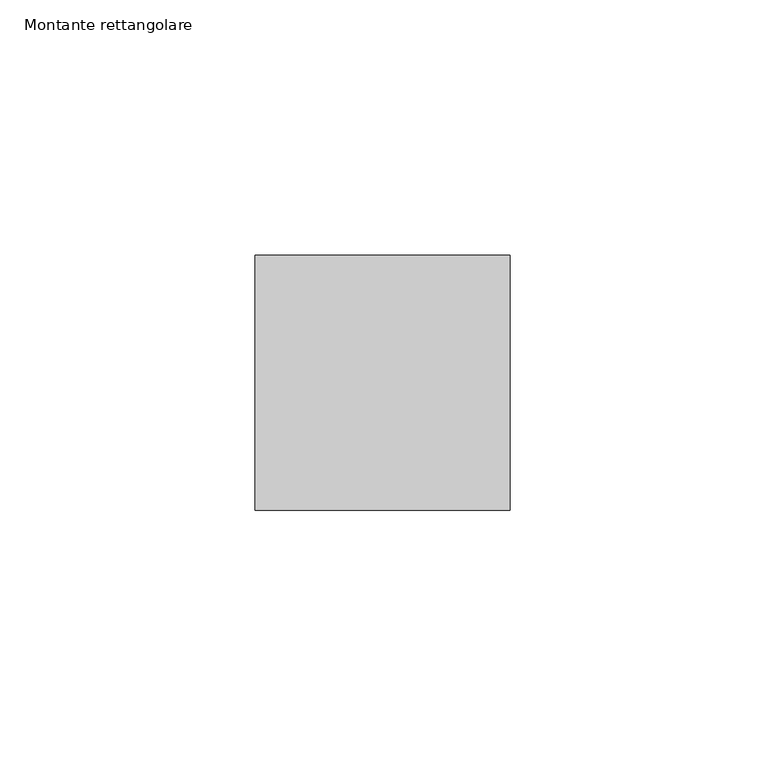
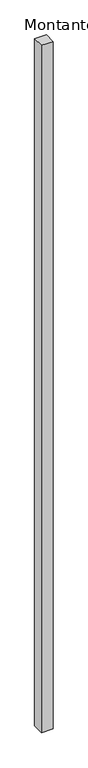
"""IFC4 building model written with IfcOpenShell, lengths in millimetres: member geometry, Montante rettangolare."""

from ifc_helpers import new_model, si_unit, frame, origin, place, context, project, spatial, polyline, outline, extrude, source, transform, mapped, element, save


def montante_rettangolare_791447b8(model_context):
    return source(origin(), model_context, "Body", "SweptSolid", [
        extrude(outline(polyline([(25.0, 25.0), (25.0, -25.0), (-25.0, -25.0), (-25.0, 25.0), (25.0, 25.0)])), frame((0.0, 0.0, -3107.624794), z_axis=(0.0, 0.0, 1.0), x_axis=(1.0, 0.0, 0.0)), (0.0, 0.0, 1.0), 3107.624794),
    ])


if __name__ == "__main__":
    model = new_model("IFC4")
    model_context = context("Model", 3, world=origin())
    ifc_project = project(units=[si_unit("LENGTHUNIT", "METRE", prefix="MILLI")], contexts=[model_context])
    site = spatial("IfcSite", under=ifc_project)
    building = spatial("IfcBuilding", under=site)
    placement = place(None, origin())
    montante_rettangolare_shape = montante_rettangolare_791447b8(model_context)
    element("IfcMember", 1, ObjectType="Montante rettangolare", at=placement, inside=building, context=model_context, shape_type="MappedRepresentation", body=[
        mapped(montante_rettangolare_shape, transform((0.0, 0.0, 0.0), x_axis=(1.0, 0.0, 0.0), y_axis=(0.0, 1.0, 0.0), z_axis=(0.0, 0.0, 1.0))),
    ])
    save(model, "model.ifc")
